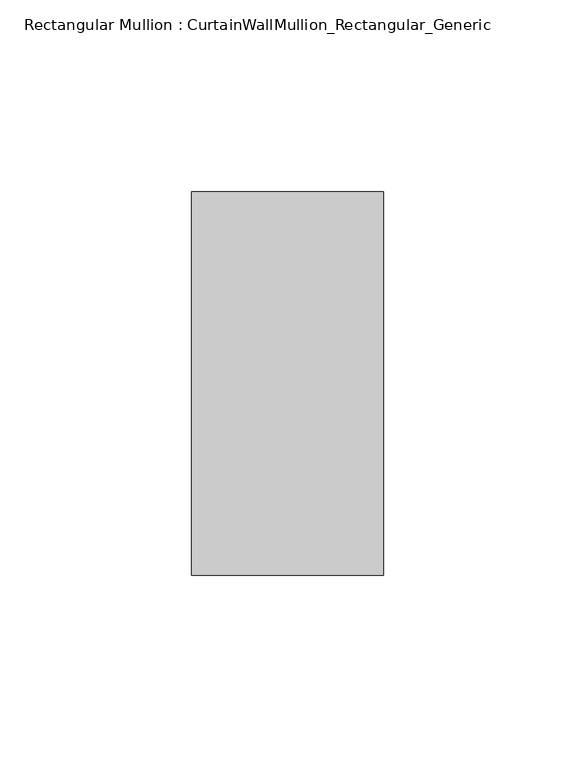
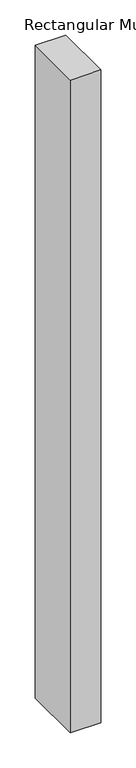
"""IFC4 building model written with IfcOpenShell, lengths in millimetres: member geometry, Rectangular Mullion : CurtainWallMullion_Rectangular_Generic."""

from ifc_helpers import new_model, si_unit, frame, origin, place, context, project, spatial, polyline, outline, extrude, source, transform, mapped, element, save


def rectangular_mullion_curtainwallmullion_rectangular_generic_899615de(model_context):
    return source(origin(), model_context, "Body", "SweptSolid", [
        extrude(outline(polyline([(0.0, 50.0), (0.0, -50.0), (-50.0, -50.0), (-50.0, 50.0), (0.0, 50.0)])), frame((0.0, 0.0, -1135.0000002), z_axis=(0.0, 0.0, 1.0), x_axis=(1.0, 0.0, 0.0)), (0.0, 0.0, 1.0), 1135.0000002),
    ])


if __name__ == "__main__":
    model = new_model("IFC4")
    model_context = context("Model", 3, world=origin())
    ifc_project = project(units=[si_unit("LENGTHUNIT", "METRE", prefix="MILLI")], contexts=[model_context])
    site = spatial("IfcSite", under=ifc_project)
    building = spatial("IfcBuilding", under=site)
    placement = place(None, origin())
    rectangular_mullion_curtainwallmullion_rectangular_generic_shape = rectangular_mullion_curtainwallmullion_rectangular_generic_899615de(model_context)
    element("IfcMember", 1, ObjectType="Rectangular Mullion : CurtainWallMullion_Rectangular_Generic", at=placement, inside=building, context=model_context, shape_type="MappedRepresentation", body=[
        mapped(rectangular_mullion_curtainwallmullion_rectangular_generic_shape, transform((0.0, 0.0, 0.0), x_axis=(1.0, 0.0, 0.0), y_axis=(0.0, 1.0, 0.0), z_axis=(0.0, 0.0, 1.0))),
    ])
    save(model, "model.ifc")
